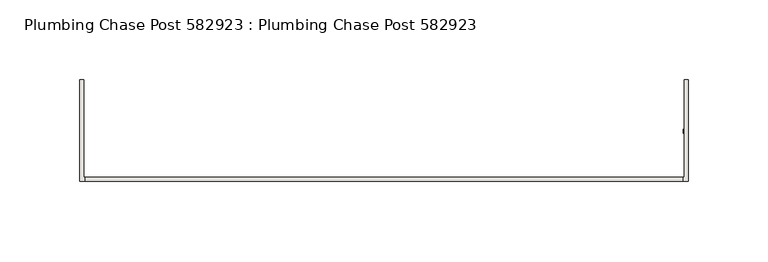
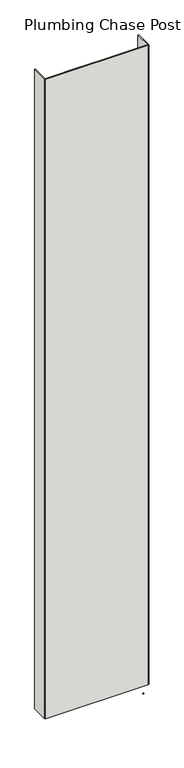
"""IFC4 building model written with IfcOpenShell, lengths in millimetres: wall geometry, Plumbing Chase Post 582923 : Plumbing Chase Post 582923."""

from ifc_helpers import new_model, si_unit, frame, origin, place, context, project, spatial, polyline, outline, extrude, source, transform, mapped, element, save


def plumbing_chase_post_582923_plumbing_chase_post_582923_4db88908(model_context):
    return source(origin(), model_context, "Body", "SweptSolid", [
        extrude(outline(polyline([(53310.5208616, -43072.1845692), (53313.0608616, -43072.1845692), (53313.0608616, -43074.7245692), (53310.5208616, -43074.7245692), (53310.5208616, -43072.1845692)])), frame((0.0, 0.0, 4419.6), z_axis=(0.0, 0.0, 1.0), x_axis=(1.0, 0.0, 0.0)), (0.0, 0.0, 1.0), 2.54),
        extrude(outline(polyline([(53310.3584032, -43105.4495014), (52934.7658092, -43105.4495014), (52934.7658092, -43102.7830094), (53310.3584032, -43102.7830094), (53310.3584032, -43105.4495014)])), frame((0.0, 0.0, 4474.8958), z_axis=(0.0, 0.0, 1.0), x_axis=(1.0, 0.0, 0.0)), (0.0, 0.0, 1.0), 2481.1482254),
        extrude(outline(polyline([(53310.3584032, -43105.4495014), (52934.7658092, -43105.4495014), (52934.7658092, -43102.7830094), (53310.3584032, -43102.7830094), (53310.3584032, -43105.4495014)])), frame((0.0, 0.0, 4474.8958), z_axis=(0.0, 0.0, 1.0), x_axis=(1.0, 0.0, 0.0)), (0.0, 0.0, 1.0), 2481.1482254),
        extrude(outline(polyline([(53313.8124476, -43105.4495014), (53180.4624476, -43105.4495014), (53180.4624476, -43102.7830094), (53311.1459556, -43102.7830094), (53311.1459556, -43041.4441176), (53313.8124476, -43041.4441176), (53313.8124476, -43105.4495014)])), frame((0.0, 0.0, 4474.8958), z_axis=(0.0, 0.0, 1.0), x_axis=(1.0, 0.0, 0.0)), (0.0, 0.0, 1.0), 2481.1482254),
        extrude(outline(polyline([(53313.8124476, -43105.4495014), (53180.4624476, -43105.4495014), (53180.4624476, -43102.7830094), (53311.1459556, -43102.7830094), (53311.1459556, -43041.4441176), (53313.8124476, -43041.4441176), (53313.8124476, -43105.4495014)])), frame((0.0, 0.0, 4474.8958), z_axis=(0.0, 0.0, 1.0), x_axis=(1.0, 0.0, 0.0)), (0.0, 0.0, 1.0), 2481.1482254),
        extrude(outline(polyline([(53064.6617648, -43102.7830094), (53064.6617648, -43105.4495014), (52931.3117648, -43105.4495014), (52931.3117648, -43041.4441176), (52933.9782822, -43041.4441176), (52933.9782822, -43102.7830094), (53064.6617648, -43102.7830094)])), frame((0.0, 0.0, 4474.8958), z_axis=(0.0, 0.0, 1.0), x_axis=(1.0, 0.0, 0.0)), (0.0, 0.0, 1.0), 2481.1482254),
        extrude(outline(polyline([(53064.6617648, -43102.7830094), (53064.6617648, -43105.4495014), (52931.3117648, -43105.4495014), (52931.3117648, -43041.4441176), (52933.9782822, -43041.4441176), (52933.9782822, -43102.7830094), (53064.6617648, -43102.7830094)])), frame((0.0, 0.0, 4474.8958), z_axis=(0.0, 0.0, 1.0), x_axis=(1.0, 0.0, 0.0)), (0.0, 0.0, 1.0), 2481.1482254),
    ])


if __name__ == "__main__":
    model = new_model("IFC4")
    model_context = context("Model", 3, world=origin())
    ifc_project = project(units=[si_unit("LENGTHUNIT", "METRE", prefix="MILLI")], contexts=[model_context])
    site = spatial("IfcSite", under=ifc_project)
    building = spatial("IfcBuilding", under=site)
    placement = place(None, origin())
    plumbing_chase_post_582923_plumbing_chase_post_582923_shape = plumbing_chase_post_582923_plumbing_chase_post_582923_4db88908(model_context)
    element("IfcWall", 1, ObjectType="Plumbing Chase Post 582923 : Plumbing Chase Post 582923", at=placement, inside=building, context=model_context, shape_type="MappedRepresentation", body=[
        mapped(plumbing_chase_post_582923_plumbing_chase_post_582923_shape, transform((0.0, 0.0, 0.0), x_axis=(1.0, 0.0, 0.0), y_axis=(0.0, 1.0, 0.0), z_axis=(0.0, 0.0, 1.0))),
    ])
    save(model, "model.ifc")
